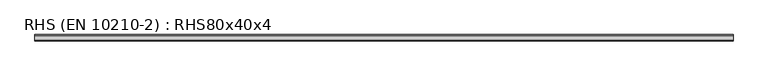
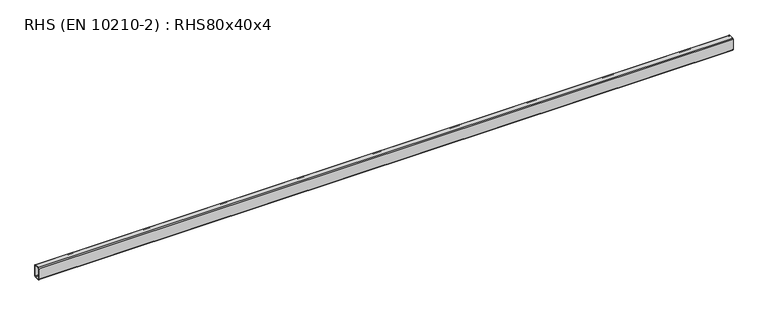
"""IFC4 building model written with IfcOpenShell, lengths in millimetres: beam geometry, RHS (EN 10210-2) : RHS80x40x4."""

from ifc_helpers import new_model, si_unit, point, frame, frame_2d, origin, place, context, project, spatial, polyline, circle_curve, trimmed, segment, composite_curve, outline, extrude, source, transform, mapped, element, save


def rhs_en_10210_2_rhs80x40x4_9cd7ff54(model_context):
    return source(origin(), model_context, "Body", "SweptSolid", [
        extrude(outline(composite_curve([segment(polyline([(20.0, 34.0), (20.0, -34.0)]), True, "CONTINUOUS"), segment(trimmed(circle_curve(frame_2d((14.0, -34.0)), 6.0), [point((20.0, -34.0))], [point((14.0, -40.0))], False, "CARTESIAN"), True, "CONTINUOUS"), segment(polyline([(14.0, -40.0), (-14.0, -40.0)]), True, "CONTINUOUS"), segment(trimmed(circle_curve(frame_2d((-14.0, -34.0)), 6.0), [point((-14.0, -40.0))], [point((-20.0, -34.0))], False, "CARTESIAN"), True, "CONTINUOUS"), segment(polyline([(-20.0, -34.0), (-20.0, 34.0)]), True, "CONTINUOUS"), segment(trimmed(circle_curve(frame_2d((-14.0, 34.0)), 6.0), [point((-20.0, 34.0))], [point((-14.0, 40.0))], False, "CARTESIAN"), True, "CONTINUOUS"), segment(polyline([(-14.0, 40.0), (14.0, 40.0)]), True, "CONTINUOUS"), segment(trimmed(circle_curve(frame_2d((14.0, 34.0)), 6.0), [point((14.0, 40.0))], [point((20.0, 34.0))], False, "CARTESIAN"), True, "CONTINUOUS")], self_intersect=False), holes=[composite_curve([segment(trimmed(circle_curve(frame_2d((-12.0, 32.0)), 4.0), [point((-12.0, 36.0))], [point((-16.0, 32.0))], True, "CARTESIAN"), True, "CONTINUOUS"), segment(polyline([(-16.0, 32.0), (-16.0, -32.0)]), True, "CONTINUOUS"), segment(trimmed(circle_curve(frame_2d((-12.0, -32.0)), 4.0), [point((-16.0, -32.0))], [point((-12.0, -36.0))], True, "CARTESIAN"), True, "CONTINUOUS"), segment(polyline([(-12.0, -36.0), (12.0, -36.0)]), True, "CONTINUOUS"), segment(trimmed(circle_curve(frame_2d((12.0, -32.0)), 4.0), [point((12.0, -36.0))], [point((16.0, -32.0))], True, "CARTESIAN"), True, "CONTINUOUS"), segment(polyline([(16.0, -32.0), (16.0, 32.0)]), True, "CONTINUOUS"), segment(trimmed(circle_curve(frame_2d((12.0, 32.0)), 4.0), [point((16.0, 32.0))], [point((12.0, 36.0))], True, "CARTESIAN"), True, "CONTINUOUS"), segment(polyline([(12.0, 36.0), (-12.0, 36.0)]), True, "CONTINUOUS")], self_intersect=False)]), frame((-2113.25, 0.0, 0.0), z_axis=(1.0, 0.0, 0.0), x_axis=(0.0, 1.0, 0.0)), (0.0, 0.0, 1.0), 4376.3),
    ])


if __name__ == "__main__":
    model = new_model("IFC4")
    model_context = context("Model", 3, world=origin())
    ifc_project = project(units=[si_unit("LENGTHUNIT", "METRE", prefix="MILLI")], contexts=[model_context])
    site = spatial("IfcSite", under=ifc_project)
    building = spatial("IfcBuilding", under=site)
    placement = place(None, origin())
    rhs_en_10210_2_rhs80x40x4_shape = rhs_en_10210_2_rhs80x40x4_9cd7ff54(model_context)
    element("IfcBeam", 1, ObjectType="RHS (EN 10210-2) : RHS80x40x4", at=placement, inside=building, context=model_context, shape_type="MappedRepresentation", body=[
        mapped(rhs_en_10210_2_rhs80x40x4_shape, transform((0.0, 0.0, 0.0), x_axis=(1.0, 0.0, 0.0), y_axis=(0.0, 1.0, 0.0), z_axis=(0.0, 0.0, 1.0))),
    ])
    save(model, "model.ifc")
